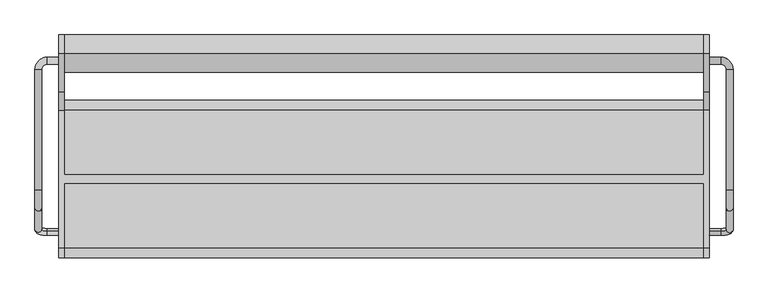
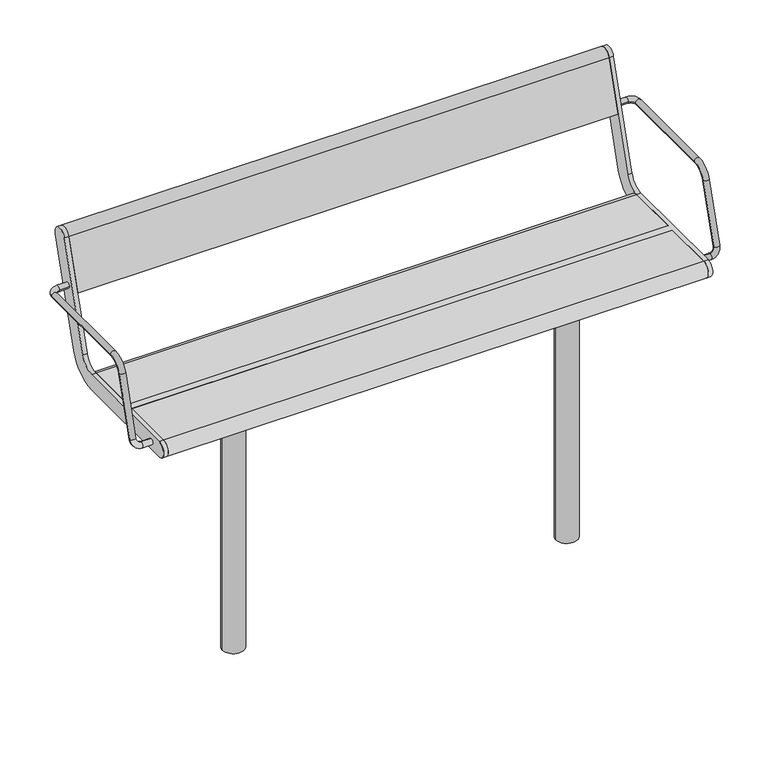
"""IFC4 building model written with IfcOpenShell, lengths in millimetres: furniture geometry."""

import ifcopenshell
import ifcopenshell.guid

model = None  # the IFC model being written
_history = None  # IfcOwnerHistory: only IFC2X3 demands one
_inside = {}  # id of a spatial element -> (the spatial element, [elements in it])
_under = {}  # id of a project, library or spatial element -> (it, [spatial elements below it])
_declared = {}  # id of a project -> (the project, [libraries it declares])
_typed = {}  # id of a type object -> (the type object, [elements of that type])
_made_of = {}  # id of a material, layer set ... -> (it, [elements and type objects made of it])


def new_model(schema):
    """Start an empty IFC model of exactly this schema.

    Asked for "IFC4X3", IfcOpenShell would pick the latest addendum, in which some entities
    have other attributes; the version numbers below select the first issue.
    IFC2X3 requires an IfcOwnerHistory on every rooted entity: one is made here for all.
    """
    global model, _history
    if schema == "IFC4X3":
        model = ifcopenshell.file(schema_version=(4, 3, 0, 0))
    else:
        model = ifcopenshell.file(schema=schema)
    _inside.clear()
    _under.clear()
    _declared.clear()
    _typed.clear()
    _made_of.clear()
    _history = None
    if model.schema == "IFC2X3":
        org = make("IfcOrganization", Name="unknown")
        user = make(
            "IfcPersonAndOrganization",
            ThePerson=make("IfcPerson", FamilyName="unknown"),
            TheOrganization=org,
        )
        app = make(
            "IfcApplication",
            ApplicationDeveloper=org,
            Version="unknown",
            ApplicationFullName="unknown",
            ApplicationIdentifier="unknown",
        )
        _history = make(
            "IfcOwnerHistory",
            OwningUser=user,
            OwningApplication=app,
            ChangeAction="ADDED",
            CreationDate=0,
        )
    return model


def make(cls, **values):
    """One entity of the class cls with the attributes given. An attribute that is None is left unset."""
    return model.create_entity(
        cls, **{name: value for name, value in values.items() if value is not None}
    )


def rooted(cls, **values):
    """An entity with a GlobalId (a new one), such as an element, a storey or a relation."""
    return make(cls, GlobalId=ifcopenshell.guid.new(), OwnerHistory=_history, **values)


def si_unit(unit_type, name, prefix=None):
    """IfcSIUnit, for example si_unit("LENGTHUNIT", "METRE", prefix="MILLI")."""
    return make("IfcSIUnit", UnitType=unit_type, Prefix=prefix, Name=name)


def assignment(units):
    """IfcUnitAssignment: the units of a project."""
    return None if units is None else make("IfcUnitAssignment", Units=units)


def point(xyz):
    """IfcCartesianPoint."""
    return None if xyz is None else make("IfcCartesianPoint", Coordinates=xyz)


def direction(xyz):
    """IfcDirection."""
    return None if xyz is None else make("IfcDirection", DirectionRatios=xyz)


def frame(location, z_axis=None, x_axis=None):
    """IfcAxis2Placement3D, a coordinate frame: its origin and axes. An axis left out is left unset."""
    return make(
        "IfcAxis2Placement3D",
        Location=point(location),
        Axis=direction(z_axis),
        RefDirection=direction(x_axis),
    )


def frame_2d(location, x_axis=None):
    """IfcAxis2Placement2D, a coordinate frame in the plane: its origin and x axis."""
    return make(
        "IfcAxis2Placement2D", Location=point(location), RefDirection=direction(x_axis)
    )


def origin():
    """The frame at (0, 0, 0) with its axes left unset."""
    return frame((0.0, 0.0, 0.0))


def place(relative_to, where):
    """IfcLocalPlacement: puts the frame where relative to a parent placement (None: the world)."""
    return make(
        "IfcLocalPlacement", PlacementRelTo=relative_to, RelativePlacement=where
    )


def context(
    kind, dimensions, precision=None, world=None, true_north=None, identifier=None
):
    """IfcGeometricRepresentationContext, for example the 3D "Model" context."""
    return make(
        "IfcGeometricRepresentationContext",
        ContextIdentifier=identifier,
        ContextType=kind,
        CoordinateSpaceDimension=dimensions,
        Precision=precision,
        WorldCoordinateSystem=world,
        TrueNorth=true_north,
    )


def project(units=None, contexts=None):
    """IfcProject with its units and contexts."""
    return rooted(
        "IfcProject",
        Name="project",
        RepresentationContexts=contexts,
        UnitsInContext=assignment(units),
    )


def spatial(cls, under=None, at=None, **own):
    """A site, building, storey or space (cls), placed at a placement, below another one or the project."""
    s = rooted(cls, ObjectPlacement=at, **own)
    if under is not None:
        _under.setdefault(under.id(), (under, []))[1].append(s)
    return s


def polyline(points):
    """IfcPolyline through the points."""
    return make("IfcPolyline", Points=[point(p) for p in points])


def circle_curve(where, radius):
    """IfcCircle in the frame where."""
    return make("IfcCircle", Position=where, Radius=radius)


def ellipse_curve(where, semi_axis1, semi_axis2):
    """IfcEllipse in the frame where."""
    return make(
        "IfcEllipse", Position=where, SemiAxis1=semi_axis1, SemiAxis2=semi_axis2
    )


def trimmed(basis, trim1, trim2, sense, master):
    """IfcTrimmedCurve: the piece of a basis curve between two trims."""
    return make(
        "IfcTrimmedCurve",
        BasisCurve=basis,
        Trim1=trim1,
        Trim2=trim2,
        SenseAgreement=sense,
        MasterRepresentation=master,
    )


def segment(curve, same_sense, transition):
    """IfcCompositeCurveSegment."""
    return make(
        "IfcCompositeCurveSegment",
        Transition=transition,
        SameSense=same_sense,
        ParentCurve=curve,
    )


def composite_curve(segments, self_intersect=None):
    """IfcCompositeCurve: segments joined end to end."""
    return make("IfcCompositeCurve", Segments=segments, SelfIntersect=self_intersect)


def outline(outer, holes=None, kind="AREA"):
    """IfcArbitraryClosedProfileDef: a profile drawn as a closed curve; with holes, ...WithVoids."""
    if holes is None:
        return make("IfcArbitraryClosedProfileDef", ProfileType=kind, OuterCurve=outer)
    return make(
        "IfcArbitraryProfileDefWithVoids",
        ProfileType=kind,
        OuterCurve=outer,
        InnerCurves=holes,
    )


def extrude(swept, where, along, depth):
    """IfcExtrudedAreaSolid: the profile swept, set in the frame where, extruded along a direction by depth."""
    return make(
        "IfcExtrudedAreaSolid",
        SweptArea=swept,
        Position=where,
        ExtrudedDirection=direction(along),
        Depth=depth,
    )


def shape(context_of_items, identifier, shape_type, items):
    """IfcShapeRepresentation: the items that make up one representation, for example the "Body"."""
    return make(
        "IfcShapeRepresentation",
        ContextOfItems=context_of_items,
        RepresentationIdentifier=identifier,
        RepresentationType=shape_type,
        Items=items,
    )


def source(mapping_origin, context_of_items, identifier, shape_type, items):
    """IfcRepresentationMap: a shape defined once, which mapped items show again and again."""
    return make(
        "IfcRepresentationMap",
        MappingOrigin=mapping_origin,
        MappedRepresentation=shape(context_of_items, identifier, shape_type, items),
    )


def transform(
    local_origin,
    x_axis=None,
    y_axis=None,
    z_axis=None,
    scale=None,
    scale2=None,
    scale3=None,
    uniform=True,
):
    """IfcCartesianTransformationOperator3D, or its non-uniform kind. x_axis, y_axis, z_axis: its Axis1, 2, 3."""
    if uniform:
        return make(
            "IfcCartesianTransformationOperator3D",
            Axis1=direction(x_axis),
            Axis2=direction(y_axis),
            LocalOrigin=point(local_origin),
            Scale=scale,
            Axis3=direction(z_axis),
        )
    return make(
        "IfcCartesianTransformationOperator3DnonUniform",
        Axis1=direction(x_axis),
        Axis2=direction(y_axis),
        LocalOrigin=point(local_origin),
        Scale=scale,
        Axis3=direction(z_axis),
        Scale2=scale2,
        Scale3=scale3,
    )


def mapped(mapping_source, mapping_target):
    """IfcMappedItem: shows the shape of a source again, moved by a transform."""
    return make(
        "IfcMappedItem", MappingSource=mapping_source, MappingTarget=mapping_target
    )


def made_of(thing, what):
    """Note that an element or type object is made of a material, layer set ...; save() writes the relation."""
    if what is not None:
        _made_of.setdefault(what.id(), (what, []))[1].append(thing)
    return thing


def element(
    cls,
    number,
    at=None,
    inside=None,
    cuts=None,
    type_object=None,
    material=None,
    context=None,
    identifier="Body",
    shape_type=None,
    held_by="IfcProductDefinitionShape",
    body=None,
    shapes=None,
    **own,
):
    """One element of the class cls, such as IfcWall. Its Tag is "e" and its number.

    at: its placement. inside: the storey or other place that contains it. cuts: it is an
    opening in that element (IfcRelVoidsElement). A single representation is given by context,
    identifier, shape_type and body (its items); several are given by shapes. held_by: the class
    of the entity that holds the representations. save() writes the other relations.
    """
    e = rooted(cls, Tag="e%d" % number, ObjectPlacement=at, **own)
    if body is not None:
        shapes = [shape(context, identifier, shape_type, body)]
    if shapes is not None:
        e.Representation = make(held_by, Representations=shapes)
    if inside is not None:
        _inside.setdefault(inside.id(), (inside, []))[1].append(e)
    if cuts is not None:
        rooted(
            "IfcRelVoidsElement", RelatingBuildingElement=cuts, RelatedOpeningElement=e
        )
    if type_object is not None:
        _typed.setdefault(type_object.id(), (type_object, []))[1].append(e)
    return made_of(e, material)


def aggregate(whole, parts):
    """IfcRelAggregates: a whole, such as a stair, and the parts it consists of."""
    return rooted("IfcRelAggregates", RelatingObject=whole, RelatedObjects=parts)


def save(model, path):
    """Write the relations noted so far, then the file.

    IfcRelAggregates (storeys below a building ...), IfcRelContainedInSpatialStructure (elements
    in a storey), IfcRelDefinesByType, IfcRelAssociatesMaterial and IfcRelDeclares: one each for
    every whole, place, type object, material and project.
    """
    for whole, parts in _under.values():
        aggregate(whole, parts)
    for where, things in _inside.values():
        rooted(
            "IfcRelContainedInSpatialStructure",
            RelatedElements=things,
            RelatingStructure=where,
        )
    for kind, things in _typed.values():
        rooted("IfcRelDefinesByType", RelatedObjects=things, RelatingType=kind)
    for what, things in _made_of.values():
        rooted("IfcRelAssociatesMaterial", RelatedObjects=things, RelatingMaterial=what)
    for by, libraries in _declared.values():
        rooted("IfcRelDeclares", RelatingContext=by, RelatedDefinitions=libraries)
    model.write(path)


def plane_surface(at):
    """IfcPlane: the flat surface through the origin of the frame at, square to its z axis."""
    return make("IfcPlane", Position=at)


def cylinder_surface(at, radius):
    """IfcCylindricalSurface: all points at the distance radius from the z axis of the frame at."""
    return make("IfcCylindricalSurface", Position=at, Radius=radius)


def revolved_surface(curve, axis_point, axis_direction):
    """IfcSurfaceOfRevolution: the curve turned about the line through axis_point along axis_direction."""
    return make(
        "IfcSurfaceOfRevolution",
        SweptCurve=make("IfcArbitraryOpenProfileDef", ProfileType="CURVE", Curve=curve),
        AxisPosition=make("IfcAxis1Placement", Location=point(axis_point), Axis=direction(axis_direction)),
    )


def advanced_brep(points, edges, surfaces, faces):
    """IfcAdvancedBrep: a solid bounded by faces that lie on surfaces and meet in shared edges.

    An edge is (start, end): straight between two places in points (the first is 0);
    or (start, end, curve); or (start, end, curve, False) where it runs against its curve.
    A face is (place in surfaces, loops), or (place, loops, False) where it looks against
    its surface's normal. A loop lists edges by number (the first is 1), with a minus sign
    where the edge is run from its end to its start. The first loop is the outer one.
    """
    corners = [point(p) for p in points]
    vertices = [make("IfcVertexPoint", VertexGeometry=c) for c in corners]
    made = []
    for start, end, *more in edges:
        made.append(
            make(
                "IfcEdgeCurve",
                EdgeStart=vertices[start],
                EdgeEnd=vertices[end],
                EdgeGeometry=more[0] if more else make("IfcPolyline", Points=[corners[start], corners[end]]),
                SameSense=more[1] if len(more) > 1 else True,
            )
        )
    hull = []
    for where, loops, *sense in faces:
        bounds = []
        for j, loop in enumerate(loops):
            ring = [make("IfcOrientedEdge", EdgeElement=made[abs(k) - 1], Orientation=k > 0) for k in loop]
            bounds.append(
                make(
                    "IfcFaceOuterBound" if j == 0 else "IfcFaceBound",
                    Bound=make("IfcEdgeLoop", EdgeList=ring),
                    Orientation=True,
                )
            )
        hull.append(make("IfcAdvancedFace", Bounds=bounds, FaceSurface=surfaces[where], SameSense=sense[0] if sense else True))
    return make("IfcAdvancedBrep", Outer=make("IfcClosedShell", CfsFaces=hull))


def furniture_fdfc1b59(model_context):
    return source(origin(), model_context, "Body", "SolidModel", [
        advanced_brep(
        [(-757.0, -121.1610264, 435.150438), (-757.0, -125.8389736, 419.849562), (-784.0, -125.8389736, 419.849562), (-784.0, -121.1610264, 435.150438), (-813.0, -117.3601942, 447.5823999), (-797.0, -117.3601942, 447.5823999), (-813.0, 254.5, 641.5), (-813.0, -24.7753858, 641.5), (-797.0, -24.7753858, 641.5), (-797.0, 254.5, 641.5), (-797.0, -67.8090998, 609.6567267), (-813.0, -67.8090998, 609.6567267), (-757.0, 267.5, 641.5), (-757.0, 283.5, 641.5), (-784.0, 283.5, 641.5), (-784.0, 267.5, 641.5)],
        [
            (0, 1, circle_curve(frame((-757.0, -123.5, 427.5), z_axis=(1.0, 0.0, 0.0), x_axis=(0.0, -0.2923717047227402, -0.9563047559630344)), 8.0)),
            (1, 0, circle_curve(frame((-757.0, -123.5, 427.5), z_axis=(1.0, 0.0, 0.0), x_axis=(0.0, -0.2923717047227402, -0.9563047559630344)), 8.0)),
            (1, 2),
            (2, 3, circle_curve(frame((-784.0, -123.5, 427.5), z_axis=(1.0, 0.0, 0.0), x_axis=(0.0, -0.2923717047227402, -0.9563047559630344)), 8.0)),
            (3, 0),
            (3, 2, circle_curve(frame((-784.0, -123.5, 427.5), z_axis=(1.0, 0.0, 0.0), x_axis=(0.0, -0.2923717047227402, -0.9563047559630344)), 8.0)),
            (2, 4, circle_curve(frame((-784.0, -117.3601942, 447.5823999), z_axis=(0.0, 0.9563047559630344, -0.29237170472274027), x_axis=(0.0, -0.29237170472274027, -0.9563047559630344)), 29.0)),
            (4, 5, circle_curve(frame((-805.0, -117.3601942, 447.5823999), z_axis=(0.0, -0.29237170472274027, -0.9563047559630344), x_axis=(-1.0, 0.0, 0.0)), 8.0)),
            (5, 3, circle_curve(frame((-784.0, -117.3601942, 447.5823999), z_axis=(0.0, -0.9563047559630344, 0.29237170472274027), x_axis=(0.0, -0.29237170472274027, -0.9563047559630344)), 13.0)),
            (5, 4, circle_curve(frame((-805.0, -117.3601942, 447.5823999), z_axis=(0.0, -0.29237170472274027, -0.9563047559630344), x_axis=(-1.0, 0.0, 0.0)), 8.0)),
            (6, 7),
            (7, 8, circle_curve(frame((-805.0, -24.7753858, 641.5), z_axis=(0.0, 1.0, 0.0), x_axis=(-1.0, 0.0, 0.0)), 8.0)),
            (8, 9),
            (9, 6, circle_curve(frame((-805.0, 254.5, 641.5), z_axis=(0.0, -1.0, 0.0), x_axis=(-1.0, 0.0, 0.0)), 8.0)),
            (6, 9, circle_curve(frame((-805.0, 254.5, 641.5), z_axis=(0.0, -1.0, 0.0), x_axis=(-1.0, 0.0, 0.0)), 8.0)),
            (8, 7, circle_curve(frame((-805.0, -24.7753858, 641.5), z_axis=(0.0, 1.0, 0.0), x_axis=(-1.0, 0.0, 0.0)), 8.0)),
            (10, 11, circle_curve(frame((-805.0, -67.8090998, 609.6567267), z_axis=(0.0, -0.2923717047227378, -0.9563047559630351), x_axis=(-1.0, 0.0, 0.0)), 8.0)),
            (11, 4),
            (5, 10),
            (11, 10, circle_curve(frame((-805.0, -67.8090998, 609.6567267), z_axis=(0.0, -0.2923717047227378, -0.9563047559630351), x_axis=(-1.0, 0.0, 0.0)), 8.0)),
            (7, 11, circle_curve(frame((-813.0, -24.7753858, 596.5), z_axis=(1.0, 0.0, 0.0), x_axis=(0.0, 0.0, 1.0)), 45.0)),
            (10, 8, circle_curve(frame((-797.0, -24.7753858, 596.5), z_axis=(-1.0, 0.0, 0.0), x_axis=(0.0, 0.0, 1.0)), 45.0)),
            (12, 13, circle_curve(frame((-757.0, 275.5, 641.5), z_axis=(1.0, 0.0, 0.0), x_axis=(0.0, 1.0, 0.0)), 8.0)),
            (13, 12, circle_curve(frame((-757.0, 275.5, 641.5), z_axis=(1.0, 0.0, 0.0), x_axis=(0.0, 1.0, 0.0)), 8.0)),
            (13, 14),
            (14, 15, circle_curve(frame((-784.0, 275.5, 641.5), z_axis=(1.0, 0.0, 0.0), x_axis=(0.0, 1.0, 0.0)), 8.0)),
            (15, 12),
            (15, 14, circle_curve(frame((-784.0, 275.5, 641.5), z_axis=(1.0, 0.0, 0.0), x_axis=(0.0, 1.0, 0.0)), 8.0)),
            (14, 6, circle_curve(frame((-784.0, 254.5, 641.5), z_axis=(0.0, 0.0, 1.0), x_axis=(0.0, 1.0, 0.0)), 29.0)),
            (9, 15, circle_curve(frame((-784.0, 254.5, 641.5), z_axis=(0.0, 0.0, -1.0), x_axis=(0.0, 1.0, 0.0)), 13.0)),
        ],
        [
            plane_surface(frame((-757.0, -736.969501, 615.0564486), z_axis=(1.0, 0.0, 0.0), x_axis=(0.0, 0.9563047559630344, -0.29237170472274027))),
            cylinder_surface(frame((-757.0, -123.5, 427.5), z_axis=(1.0, 0.0, 0.0), x_axis=(0.0, -0.2923717047227402, -0.9563047559630344)), 8.0),
            revolved_surface(trimmed(ellipse_curve(frame((-784.0, -123.5, 427.5), z_axis=(1.0, 0.0, 0.0), x_axis=(0.0, -0.2923717047227402, -0.9563047559630344)), 8.0, 8.0), [point((-784.0, -125.8389736, 419.849562))], [point((-784.0, -121.1610264, 435.150438))], True, "CARTESIAN"), (-784.0, -730.8296952, 635.1388485), (0.0, 0.9563047559630344, -0.29237170472274027)),
            revolved_surface(trimmed(ellipse_curve(frame((-784.0, -123.5, 427.5), z_axis=(1.0, 0.0, 0.0), x_axis=(0.0, -0.2923717047227402, -0.9563047559630344)), 8.0, 8.0), [point((-784.0, -121.1610264, 435.150438))], [point((-784.0, -125.8389736, 419.849562))], True, "CARTESIAN"), (-784.0, -730.8296952, 635.1388485), (0.0, 0.9563047559630344, -0.29237170472274027)),
            cylinder_surface(frame((-805.0, 254.5, 641.5), z_axis=(0.0, 1.0, 0.0), x_axis=(-1.0, 0.0, 0.0)), 8.0),
            cylinder_surface(frame((-805.0, -67.8090998, 609.6567267), z_axis=(0.0, 0.2923717047227378, 0.9563047559630351), x_axis=(-1.0, 0.0, 0.0)), 8.0),
            revolved_surface(trimmed(ellipse_curve(frame((-805.0, -24.7753858, 641.5), z_axis=(0.0, 1.0, 0.0), x_axis=(-1.0, 0.0, 0.0)), 8.0, 8.0), [point((-813.0, -24.7753858, 641.5))], [point((-797.0, -24.7753858, 641.5))], True, "CARTESIAN"), (-500.0, -24.7753858, 596.5), (1.0, 0.0, 0.0)),
            revolved_surface(trimmed(ellipse_curve(frame((-805.0, -24.7753858, 641.5), z_axis=(0.0, 1.0, 0.0), x_axis=(-1.0, 0.0, 0.0)), 8.0, 8.0), [point((-797.0, -24.7753858, 641.5))], [point((-813.0, -24.7753858, 641.5))], True, "CARTESIAN"), (-500.0, -24.7753858, 596.5), (1.0, 0.0, 0.0)),
            plane_surface(frame((-757.0, 275.5, 0.0), z_axis=(1.0, 0.0, 0.0), x_axis=(0.0, 0.0, 1.0))),
            cylinder_surface(frame((-757.0, 275.5, 641.5), z_axis=(1.0, 0.0, 0.0), x_axis=(0.0, 1.0, 0.0)), 8.0),
            revolved_surface(trimmed(ellipse_curve(frame((-784.0, 275.5, 641.5), z_axis=(1.0, 0.0, 0.0), x_axis=(0.0, 1.0, 0.0)), 8.0, 8.0), [point((-784.0, 283.5, 641.5))], [point((-784.0, 267.5, 641.5))], True, "CARTESIAN"), (-784.0, 254.5, 0.0), (0.0, 0.0, 1.0)),
            revolved_surface(trimmed(ellipse_curve(frame((-784.0, 275.5, 641.5), z_axis=(1.0, 0.0, 0.0), x_axis=(0.0, 1.0, 0.0)), 8.0, 8.0), [point((-784.0, 267.5, 641.5))], [point((-784.0, 283.5, 641.5))], True, "CARTESIAN"), (-784.0, 254.5, 0.0), (0.0, 0.0, 1.0)),
        ],
        [
            (0, [[1, 2]]),
            (1, [[-2, 3, 4, 5]]),
            (1, [[-1, -5, 6, -3]]),
            (2, [[-4, 7, 8, 9]]),
            (3, [[-6, -9, 10, -7]]),
            (4, [[11, 12, 13, 14]]),
            (4, [[-11, 15, -13, 16]]),
            (5, [[17, 18, -10, 19]]),
            (5, [[-18, 20, -19, -8]]),
            (6, [[-12, 21, -17, 22]]),
            (7, [[-16, -22, -20, -21]]),
            (8, [[23, 24]]),
            (9, [[-24, 25, 26, 27]]),
            (9, [[-23, -27, 28, -25]]),
            (10, [[-26, 29, -14, 30]]),
            (11, [[-28, -30, -15, -29]]),
        ],
    ),
        advanced_brep(
        [(797.0, 254.5, 641.5), (797.0, -24.7753858, 641.5), (813.0, -24.7753858, 641.5), (813.0, 254.5, 641.5), (813.0, -67.8090998, 609.6567267), (797.0, -67.8090998, 609.6567267), (797.0, -117.3601942, 447.5823999), (813.0, -117.3601942, 447.5823999), (757.0, 267.5, 641.5), (757.0, 283.5, 641.5), (784.0, 267.5, 641.5), (784.0, 283.5, 641.5), (757.0, -121.1610264, 435.150438), (757.0, -125.8389736, 419.849562), (784.0, -121.1610264, 435.150438), (784.0, -125.8389736, 419.849562)],
        [
            (0, 1),
            (1, 2, circle_curve(frame((805.0, -24.7753858, 641.5), z_axis=(0.0, 1.0, 0.0), x_axis=(1.0, 0.0, 0.0)), 8.0)),
            (2, 3),
            (3, 0, circle_curve(frame((805.0, 254.5, 641.5), z_axis=(0.0, -1.0, 0.0), x_axis=(1.0, 0.0, 0.0)), 8.0)),
            (0, 3, circle_curve(frame((805.0, 254.5, 641.5), z_axis=(0.0, -1.0, 0.0), x_axis=(1.0, 0.0, 0.0)), 8.0)),
            (2, 1, circle_curve(frame((805.0, -24.7753858, 641.5), z_axis=(0.0, 1.0, 0.0), x_axis=(1.0, 0.0, 0.0)), 8.0)),
            (4, 5, circle_curve(frame((805.0, -67.8090998, 609.6567267), z_axis=(0.0, -0.2923717047227378, -0.9563047559630351), x_axis=(1.0, 0.0, 0.0)), 8.0)),
            (5, 6),
            (6, 7, circle_curve(frame((805.0, -117.3601942, 447.5823999), z_axis=(0.0, 0.2923717047227378, 0.9563047559630351), x_axis=(1.0, 0.0, 0.0)), 8.0)),
            (7, 4),
            (5, 4, circle_curve(frame((805.0, -67.8090998, 609.6567267), z_axis=(0.0, -0.2923717047227378, -0.9563047559630351), x_axis=(1.0, 0.0, 0.0)), 8.0)),
            (7, 6, circle_curve(frame((805.0, -117.3601942, 447.5823999), z_axis=(0.0, 0.2923717047227378, 0.9563047559630351), x_axis=(1.0, 0.0, 0.0)), 8.0)),
            (1, 5, circle_curve(frame((797.0, -24.7753858, 596.5), z_axis=(1.0, 0.0, 0.0), x_axis=(0.0, 0.0, 1.0)), 45.0)),
            (4, 2, circle_curve(frame((813.0, -24.7753858, 596.5), z_axis=(-1.0, 0.0, 0.0), x_axis=(0.0, 0.0, 1.0)), 45.0)),
            (8, 9, circle_curve(frame((757.0, 275.5, 641.5), z_axis=(-1.0, 0.0, 0.0), x_axis=(0.0, 1.0, 0.0)), 8.0)),
            (9, 8, circle_curve(frame((757.0, 275.5, 641.5), z_axis=(-1.0, 0.0, 0.0), x_axis=(0.0, 1.0, 0.0)), 8.0)),
            (8, 10),
            (10, 11, circle_curve(frame((784.0, 275.5, 641.5), z_axis=(-1.0, 0.0, 0.0), x_axis=(0.0, 1.0, 0.0)), 8.0)),
            (11, 9),
            (11, 10, circle_curve(frame((784.0, 275.5, 641.5), z_axis=(-1.0, 0.0, 0.0), x_axis=(0.0, 1.0, 0.0)), 8.0)),
            (10, 0, circle_curve(frame((784.0, 254.5, 641.5), z_axis=(0.0, 0.0, -1.0), x_axis=(0.0, 1.0, 0.0)), 13.0)),
            (3, 11, circle_curve(frame((784.0, 254.5, 641.5), z_axis=(0.0, 0.0, 1.0), x_axis=(0.0, 1.0, 0.0)), 29.0)),
            (12, 13, circle_curve(frame((757.0, -123.5, 427.5), z_axis=(-1.0, 0.0, 0.0), x_axis=(0.0, -0.2923717047227402, -0.9563047559630344)), 8.0)),
            (13, 12, circle_curve(frame((757.0, -123.5, 427.5), z_axis=(-1.0, 0.0, 0.0), x_axis=(0.0, -0.2923717047227402, -0.9563047559630344)), 8.0)),
            (12, 14),
            (14, 15, circle_curve(frame((784.0, -123.5, 427.5), z_axis=(-1.0, 0.0, 0.0), x_axis=(0.0, -0.2923717047227402, -0.9563047559630344)), 8.0)),
            (15, 13),
            (15, 14, circle_curve(frame((784.0, -123.5, 427.5), z_axis=(-1.0, 0.0, 0.0), x_axis=(0.0, -0.2923717047227402, -0.9563047559630344)), 8.0)),
            (14, 6, circle_curve(frame((784.0, -117.3601942, 447.5823999), z_axis=(0.0, -0.9563047559630344, 0.2923717047227402), x_axis=(0.0, -0.2923717047227402, -0.9563047559630344)), 13.0)),
            (7, 15, circle_curve(frame((784.0, -117.3601942, 447.5823999), z_axis=(0.0, 0.9563047559630344, -0.2923717047227402), x_axis=(0.0, -0.2923717047227402, -0.9563047559630344)), 29.0)),
        ],
        [
            cylinder_surface(frame((805.0, 254.5, 641.5), z_axis=(0.0, 1.0, 0.0), x_axis=(1.0, 0.0, 0.0)), 8.0),
            cylinder_surface(frame((805.0, -67.8090998, 609.6567267), z_axis=(0.0, 0.2923717047227378, 0.9563047559630351), x_axis=(1.0, 0.0, 0.0)), 8.0),
            revolved_surface(trimmed(ellipse_curve(frame((805.0, -24.7753858, 641.5), z_axis=(0.0, 1.0, 0.0), x_axis=(1.0, 0.0, 0.0)), 8.0, 8.0), [point((797.0, -24.7753858, 641.5))], [point((813.0, -24.7753858, 641.5))], True, "CARTESIAN"), (0.0, -24.7753858, 596.5), (1.0, 0.0, 0.0)),
            revolved_surface(trimmed(ellipse_curve(frame((805.0, -24.7753858, 641.5), z_axis=(0.0, 1.0, 0.0), x_axis=(1.0, 0.0, 0.0)), 8.0, 8.0), [point((813.0, -24.7753858, 641.5))], [point((797.0, -24.7753858, 641.5))], True, "CARTESIAN"), (0.0, -24.7753858, 596.5), (1.0, 0.0, 0.0)),
            plane_surface(frame((757.0, 275.5, 0.0), z_axis=(-1.0, 0.0, 0.0), x_axis=(0.0, 0.0, 1.0))),
            cylinder_surface(frame((757.0, 275.5, 641.5), z_axis=(-1.0, 0.0, 0.0), x_axis=(0.0, 1.0, 0.0)), 8.0),
            revolved_surface(trimmed(ellipse_curve(frame((784.0, 275.5, 641.5), z_axis=(-1.0, 0.0, 0.0), x_axis=(0.0, 1.0, 0.0)), 8.0, 8.0), [point((784.0, 267.5, 641.5))], [point((784.0, 283.5, 641.5))], True, "CARTESIAN"), (784.0, 254.5, 0.0), (0.0, 0.0, -1.0)),
            revolved_surface(trimmed(ellipse_curve(frame((784.0, 275.5, 641.5), z_axis=(-1.0, 0.0, 0.0), x_axis=(0.0, 1.0, 0.0)), 8.0, 8.0), [point((784.0, 283.5, 641.5))], [point((784.0, 267.5, 641.5))], True, "CARTESIAN"), (784.0, 254.5, 0.0), (0.0, 0.0, -1.0)),
            plane_surface(frame((757.0, -736.969501, 615.0564486), z_axis=(-1.0, 0.0, 0.0), x_axis=(0.0, 0.9563047559630344, -0.2923717047227402))),
            cylinder_surface(frame((757.0, -123.5, 427.5), z_axis=(-1.0, 0.0, 0.0), x_axis=(0.0, -0.2923717047227402, -0.9563047559630344)), 8.0),
            revolved_surface(trimmed(ellipse_curve(frame((784.0, -123.5, 427.5), z_axis=(-1.0, 0.0, 0.0), x_axis=(0.0, -0.2923717047227402, -0.9563047559630344)), 8.0, 8.0), [point((784.0, -121.1610264, 435.150438))], [point((784.0, -125.8389736, 419.849562))], True, "CARTESIAN"), (784.0, -730.8296952, 635.1388485), (0.0, -0.9563047559630344, 0.2923717047227402)),
            revolved_surface(trimmed(ellipse_curve(frame((784.0, -123.5, 427.5), z_axis=(-1.0, 0.0, 0.0), x_axis=(0.0, -0.2923717047227402, -0.9563047559630344)), 8.0, 8.0), [point((784.0, -125.8389736, 419.849562))], [point((784.0, -121.1610264, 435.150438))], True, "CARTESIAN"), (784.0, -730.8296952, 635.1388485), (0.0, -0.9563047559630344, 0.2923717047227402)),
        ],
        [
            (0, [[1, 2, 3, 4]]),
            (0, [[-1, 5, -3, 6]]),
            (1, [[7, 8, 9, 10]]),
            (1, [[-8, 11, -10, 12]]),
            (2, [[-2, 13, -7, 14]]),
            (3, [[-6, -14, -11, -13]]),
            (4, [[15, 16]]),
            (5, [[-15, 17, 18, 19]]),
            (5, [[-16, -19, 20, -17]]),
            (6, [[-18, 21, -4, 22]]),
            (7, [[-20, -22, -5, -21]]),
            (8, [[23, 24]]),
            (9, [[-23, 25, 26, 27]]),
            (9, [[-24, -27, 28, -25]]),
            (10, [[-26, 29, -12, 30]]),
            (11, [[-28, -30, -9, -29]]),
        ],
    ),
        advanced_brep(
        [(-745.0, 291.5375971, 769.6910048), (-745.0, 203.533714, 481.8432733), (-745.0, 160.5, 450.0), (-745.0, 10.0, 450.0), (-745.0, 10.0, 405.0), (-745.0, 160.5, 405.0), (-745.0, 246.567428, 468.6865466), (-745.0, 334.5713112, 756.5342781), (-745.0, -160.5, 450.0), (-745.0, -160.5, 405.0), (-745.0, -10.0, 405.0), (-745.0, -10.0, 450.0), (-757.0, 291.5375971, 769.6910048), (-757.0, 334.5713112, 756.5342781), (-757.0, 246.567428, 468.6865466), (-757.0, 160.5, 405.0), (-757.0, -160.5, 405.0), (-757.0, -160.5, 450.0), (-757.0, 160.5, 450.0), (-757.0, 203.533714, 481.8432733), (745.0, -10.0, 450.0), (745.0, -160.5, 450.0), (757.0, -160.5, 450.0), (757.0, 160.5, 450.0), (745.0, 160.5, 450.0), (745.0, 10.0, 450.0), (745.0, 10.0, 405.0), (745.0, 160.5, 405.0), (757.0, 160.5, 405.0), (757.0, -160.5, 405.0), (745.0, -160.5, 405.0), (745.0, -10.0, 405.0), (757.0, 291.5375971, 769.6910048), (757.0, 203.533714, 481.8432733), (757.0, 246.567428, 468.6865466), (757.0, 334.5713112, 756.5342781), (745.0, 291.5375971, 769.6910048), (745.0, 334.5713112, 756.5342781), (745.0, 246.567428, 468.6865466), (745.0, 203.533714, 481.8432733)],
        [
            (0, 1),
            (1, 2, circle_curve(frame((-745.0, 160.5, 495.0), z_axis=(-1.0, 0.0, 0.0), x_axis=(0.0, -1.0, 0.0)), 45.0)),
            (2, 3),
            (3, 4),
            (4, 5),
            (5, 6, circle_curve(frame((-745.0, 160.5, 495.0), z_axis=(1.0, 0.0, 0.0), x_axis=(0.0, -1.0, 0.0)), 90.0)),
            (6, 7),
            (7, 0, circle_curve(frame((-745.0, 313.0544541, 763.1126415), z_axis=(1.0, 0.0, 0.0), x_axis=(0.0, -1.0, 0.0)), 22.5)),
            (8, 9, circle_curve(frame((-745.0, -160.5, 427.5), z_axis=(1.0, 0.0, 0.0), x_axis=(0.0, -1.0, 0.0)), 22.5)),
            (9, 10),
            (10, 11),
            (11, 8),
            (12, 13, circle_curve(frame((-757.0, 313.0544541, 763.1126415), z_axis=(-1.0, 0.0, 0.0), x_axis=(0.0, -1.0, 0.0)), 22.5)),
            (13, 14),
            (14, 15, circle_curve(frame((-757.0, 160.5, 495.0), z_axis=(-1.0, 0.0, 0.0), x_axis=(0.0, -1.0, 0.0)), 90.0)),
            (15, 16),
            (16, 17, circle_curve(frame((-757.0, -160.5, 427.5), z_axis=(-1.0, 0.0, 0.0), x_axis=(0.0, -1.0, 0.0)), 22.5)),
            (17, 18),
            (18, 19, circle_curve(frame((-757.0, 160.5, 495.0), z_axis=(1.0, 0.0, 0.0), x_axis=(0.0, -1.0, 0.0)), 45.0)),
            (19, 12),
            (0, 12),
            (19, 1),
            (18, 2),
            (17, 8),
            (11, 20),
            (20, 21),
            (21, 22),
            (22, 23),
            (23, 24),
            (24, 25),
            (25, 3),
            (15, 5),
            (4, 26),
            (26, 27),
            (27, 28),
            (28, 29),
            (29, 30),
            (30, 31),
            (31, 10),
            (9, 16),
            (14, 6),
            (13, 7),
            (31, 20),
            (25, 26),
            (32, 33),
            (33, 23, circle_curve(frame((757.0, 160.5, 495.0), z_axis=(-1.0, 0.0, 0.0), x_axis=(0.0, -1.0, 0.0)), 45.0)),
            (22, 29, circle_curve(frame((757.0, -160.5, 427.5), z_axis=(1.0, 0.0, 0.0), x_axis=(0.0, -1.0, 0.0)), 22.5)),
            (28, 34, circle_curve(frame((757.0, 160.5, 495.0), z_axis=(1.0, 0.0, 0.0), x_axis=(0.0, -1.0, 0.0)), 90.0)),
            (34, 35),
            (35, 32, circle_curve(frame((757.0, 313.0544541, 763.1126415), z_axis=(1.0, 0.0, 0.0), x_axis=(0.0, -1.0, 0.0)), 22.5)),
            (36, 37, circle_curve(frame((745.0, 313.0544541, 763.1126415), z_axis=(-1.0, 0.0, 0.0), x_axis=(0.0, -1.0, 0.0)), 22.5)),
            (37, 38),
            (38, 27, circle_curve(frame((745.0, 160.5, 495.0), z_axis=(-1.0, 0.0, 0.0), x_axis=(0.0, -1.0, 0.0)), 90.0)),
            (24, 39, circle_curve(frame((745.0, 160.5, 495.0), z_axis=(1.0, 0.0, 0.0), x_axis=(0.0, -1.0, 0.0)), 45.0)),
            (39, 36),
            (30, 21, circle_curve(frame((745.0, -160.5, 427.5), z_axis=(-1.0, 0.0, 0.0), x_axis=(0.0, -1.0, 0.0)), 22.5)),
            (32, 36),
            (39, 33),
            (38, 34),
            (37, 35),
        ],
        [
            plane_surface(frame((-745.0, 203.533714, 481.8432733), z_axis=(1.0000000000000002, 0.0, 0.0), x_axis=(0.0, -0.29237170472273394, -0.9563047559630364))),
            plane_surface(frame((-757.0, 203.533714, 481.8432733), z_axis=(-1.0000000000000002, 0.0, 0.0), x_axis=(0.0, 0.29237170472273394, 0.9563047559630364))),
            plane_surface(frame((-745.0, 291.5375971, 769.6910048), z_axis=(0.0, -0.9563047559630364, 0.29237170472273394), x_axis=(-1.0, 0.0, 0.0))),
            revolved_surface(polyline([(-757.0, 115.5, 495.0), (-745.0, 115.5, 495.0)]), (-757.0, 160.5, 495.0), (-1.0, 0.0, 0.0)),
            plane_surface(frame((-745.0, 160.5, 450.0), z_axis=(0.0, 0.0, 1.0), x_axis=(-1.0, 0.0, 0.0))),
            plane_surface(frame((-745.0, -160.5, 405.0), z_axis=(0.0, 0.0, -1.0), x_axis=(-1.0, 0.0, 0.0))),
            cylinder_surface(frame((-757.0, 160.5, 495.0), z_axis=(1.0, 0.0, 0.0), x_axis=(0.0, -1.0, 0.0)), 90.0),
            plane_surface(frame((-745.0, 246.567428, 468.6865466), z_axis=(0.0, 0.9563047559630364, -0.29237170472273366), x_axis=(-1.0, 0.0, 0.0))),
            cylinder_surface(frame((-757.0, 313.0544541, 763.1126415), z_axis=(1.0, 0.0, 0.0), x_axis=(0.0, -1.0, 0.0)), 22.5),
            cylinder_surface(frame((-757.0, -160.5, 427.5), z_axis=(1.0, 0.0, 0.0), x_axis=(0.0, -1.0, 0.0)), 22.5),
            plane_surface(frame((745.0, -10.0, 450.0), z_axis=(0.0, -1.0, 0.0), x_axis=(-1.0, 0.0, 0.0))),
            plane_surface(frame((745.0, 10.0, 405.0), z_axis=(0.0, 1.0, 0.0), x_axis=(-1.0, 0.0, 0.0))),
            plane_surface(frame((757.0, 203.533714, 481.8432733), z_axis=(1.0000000000000002, 0.0, 0.0), x_axis=(0.0, -0.29237170472273394, -0.9563047559630364))),
            plane_surface(frame((745.0, 203.533714, 481.8432733), z_axis=(-1.0000000000000002, 0.0, 0.0), x_axis=(0.0, 0.29237170472273394, 0.9563047559630364))),
            plane_surface(frame((757.0, 291.5375971, 769.6910048), z_axis=(0.0, -0.9563047559630364, 0.29237170472273394), x_axis=(-1.0, 0.0, 0.0))),
            revolved_surface(polyline([(745.0, 115.5, 495.0), (757.0, 115.5, 495.0)]), (745.0, 160.5, 495.0), (-1.0, 0.0, 0.0)),
            cylinder_surface(frame((745.0, 160.5, 495.0), z_axis=(1.0, 0.0, 0.0), x_axis=(0.0, -1.0, 0.0)), 90.0),
            plane_surface(frame((757.0, 246.567428, 468.6865466), z_axis=(0.0, 0.9563047559630364, -0.29237170472273366), x_axis=(-1.0, 0.0, 0.0))),
            cylinder_surface(frame((745.0, 313.0544541, 763.1126415), z_axis=(1.0, 0.0, 0.0), x_axis=(0.0, -1.0, 0.0)), 22.5),
            cylinder_surface(frame((745.0, -160.5, 427.5), z_axis=(1.0, 0.0, 0.0), x_axis=(0.0, -1.0, 0.0)), 22.5),
        ],
        [
            (0, [[1, 2, 3, 4, 5, 6, 7, 8]]),
            (0, [[9, 10, 11, 12]]),
            (1, [[13, 14, 15, 16, 17, 18, 19, 20]]),
            (2, [[-1, 21, -20, 22]]),
            (3, [[-2, -22, -19, 23]]),
            (4, [[-18, 24, -12, 25, 26, 27, 28, 29, 30, 31, -3, -23]]),
            (5, [[-16, 32, -5, 33, 34, 35, 36, 37, 38, 39, -10, 40]]),
            (6, [[-6, -32, -15, 41]]),
            (7, [[-7, -41, -14, 42]]),
            (8, [[-8, -42, -13, -21]]),
            (9, [[-9, -24, -17, -40]]),
            (10, [[-25, -11, -39, 43]]),
            (11, [[-31, 44, -33, -4]]),
            (12, [[45, 46, -28, 47, -36, 48, 49, 50]]),
            (13, [[51, 52, 53, -34, -44, -30, 54, 55]]),
            (13, [[56, -26, -43, -38]]),
            (14, [[-45, 57, -55, 58]]),
            (15, [[-46, -58, -54, -29]]),
            (16, [[-48, -35, -53, 59]]),
            (17, [[-49, -59, -52, 60]]),
            (18, [[-50, -60, -51, -57]]),
            (19, [[-47, -27, -56, -37]]),
        ],
    ),
        extrude(outline(composite_curve([segment(trimmed(circle_curve(frame_2d((313.0544541, 763.1126415)), 22.5), [point((291.5375971, 769.6910048))], [point((334.5713112, 756.5342781))], False, "CARTESIAN"), True, "CONTINUOUS"), segment(polyline([(334.5713112, 756.5342781), (292.0312281, 617.3919361), (248.9975141, 630.5486628), (291.5375971, 769.6910048)]), True, "CONTINUOUS")], self_intersect=False)), frame((-745.0, 0.0, 0.0), z_axis=(1.0, 0.0, 0.0), x_axis=(0.0, 1.0, 0.0)), (0.0, 0.0, 1.0), 1490.0),
        extrude(outline(composite_curve([segment(polyline([(10.0, 405.0), (10.0, 450.0), (160.5, 450.0)]), True, "CONTINUOUS"), segment(trimmed(circle_curve(frame_2d((160.5, 427.5)), 22.5), [point((160.5, 450.0))], [point((160.5, 405.0))], False, "CARTESIAN"), True, "CONTINUOUS"), segment(polyline([(160.5, 405.0), (10.0, 405.0)]), True, "CONTINUOUS")], self_intersect=False)), frame((-745.0, 0.0, 0.0), z_axis=(1.0, 0.0, 0.0), x_axis=(0.0, 1.0, 0.0)), (0.0, 0.0, 1.0), 1490.0),
        extrude(outline(composite_curve([segment(polyline([(-10.0, 405.0), (-160.5, 405.0)]), True, "CONTINUOUS"), segment(trimmed(circle_curve(frame_2d((-160.5, 427.5)), 22.5), [point((-160.5, 405.0))], [point((-160.5, 450.0))], False, "CARTESIAN"), True, "CONTINUOUS"), segment(polyline([(-160.5, 450.0), (-10.0, 450.0), (-10.0, 405.0)]), True, "CONTINUOUS")], self_intersect=False)), frame((-745.0, 0.0, 0.0), z_axis=(1.0, 0.0, 0.0), x_axis=(0.0, 1.0, 0.0)), (0.0, 0.0, 1.0), 1490.0),
        extrude(outline(composite_curve([segment(trimmed(circle_curve(frame_2d((460.0, 0.0)), 30.0), [point((430.0, 0.0))], [point((490.0, 0.0))], False, "CARTESIAN"), True, "CONTINUOUS"), segment(trimmed(circle_curve(frame_2d((460.0, 0.0)), 30.0), [point((490.0, 0.0))], [point((430.0, 0.0))], False, "CARTESIAN"), True, "CONTINUOUS")], self_intersect=False)), frame((0.0, 0.0, -350.0), z_axis=(0.0, 0.0, 1.0), x_axis=(1.0, 0.0, 0.0)), (0.0, 0.0, 1.0), 739.0),
        extrude(outline(polyline([(535.0, 125.0), (535.0, -125.0), (385.0, -125.0), (385.0, 125.0), (535.0, 125.0)])), frame((0.0, 0.0, 389.0), z_axis=(0.0, 0.0, 1.0), x_axis=(1.0, 0.0, 0.0)), (0.0, 0.0, 1.0), 16.0),
        extrude(outline(composite_curve([segment(trimmed(circle_curve(frame_2d((-460.0, 0.0)), 30.0), [point((-490.0, 0.0))], [point((-430.0, 0.0))], False, "CARTESIAN"), True, "CONTINUOUS"), segment(trimmed(circle_curve(frame_2d((-460.0, 0.0)), 30.0), [point((-430.0, 0.0))], [point((-490.0, 0.0))], False, "CARTESIAN"), True, "CONTINUOUS")], self_intersect=False)), frame((0.0, 0.0, -350.0), z_axis=(0.0, 0.0, 1.0), x_axis=(1.0, 0.0, 0.0)), (0.0, 0.0, 1.0), 739.0),
        extrude(outline(polyline([(-385.0, 125.0), (-385.0, -125.0), (-535.0, -125.0), (-535.0, 125.0), (-385.0, 125.0)])), frame((0.0, 0.0, 389.0), z_axis=(0.0, 0.0, 1.0), x_axis=(1.0, 0.0, 0.0)), (0.0, 0.0, 1.0), 16.0),
    ])


if __name__ == "__main__":
    model = new_model("IFC4")
    model_context = context("Model", 3, world=origin())
    ifc_project = project(units=[si_unit("LENGTHUNIT", "METRE", prefix="MILLI")], contexts=[model_context])
    site = spatial("IfcSite", under=ifc_project)
    building = spatial("IfcBuilding", under=site)
    placement = place(None, origin())
    furniture_shape = furniture_fdfc1b59(model_context)
    element("IfcFurniture", 1, at=placement, inside=building, context=model_context, shape_type="MappedRepresentation", body=[
        mapped(furniture_shape, transform((0.0, 0.0, 0.0), x_axis=(1.0, 0.0, 0.0), y_axis=(0.0, 1.0, 0.0), z_axis=(0.0, 0.0, 1.0))),
    ])
    save(model, "model.ifc")
